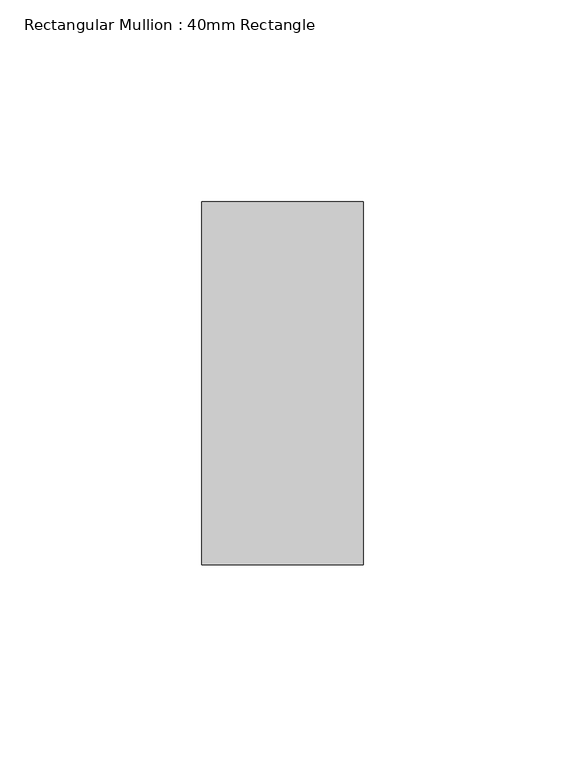
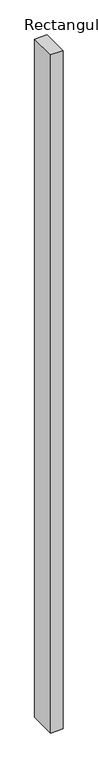
"""IFC4 building model written with IfcOpenShell, lengths in millimetres: member geometry, Rectangular Mullion : 40mm Rectangle."""

from ifc_helpers import new_model, si_unit, frame, origin, place, context, project, spatial, polyline, outline, extrude, source, transform, mapped, element, save


def rectangular_mullion_40mm_rectangle_19117e35(model_context):
    return source(origin(), model_context, "Body", "SweptSolid", [
        extrude(outline(polyline([(-40.0, 45.0), (0.0, 45.0), (0.0, -45.0), (-40.0, -45.0), (-40.0, 45.0)])), frame((0.0, 0.0, -2320.0), z_axis=(0.0, 0.0, 1.0), x_axis=(1.0, 0.0, 0.0)), (0.0, 0.0, 1.0), 2320.0),
    ])


if __name__ == "__main__":
    model = new_model("IFC4")
    model_context = context("Model", 3, world=origin())
    ifc_project = project(units=[si_unit("LENGTHUNIT", "METRE", prefix="MILLI")], contexts=[model_context])
    site = spatial("IfcSite", under=ifc_project)
    building = spatial("IfcBuilding", under=site)
    placement = place(None, origin())
    rectangular_mullion_40mm_rectangle_shape = rectangular_mullion_40mm_rectangle_19117e35(model_context)
    element("IfcMember", 1, ObjectType="Rectangular Mullion : 40mm Rectangle", at=placement, inside=building, context=model_context, shape_type="MappedRepresentation", body=[
        mapped(rectangular_mullion_40mm_rectangle_shape, transform((0.0, 0.0, 0.0), x_axis=(1.0, 0.0, 0.0), y_axis=(0.0, 1.0, 0.0), z_axis=(0.0, 0.0, 1.0))),
    ])
    save(model, "model.ifc")
